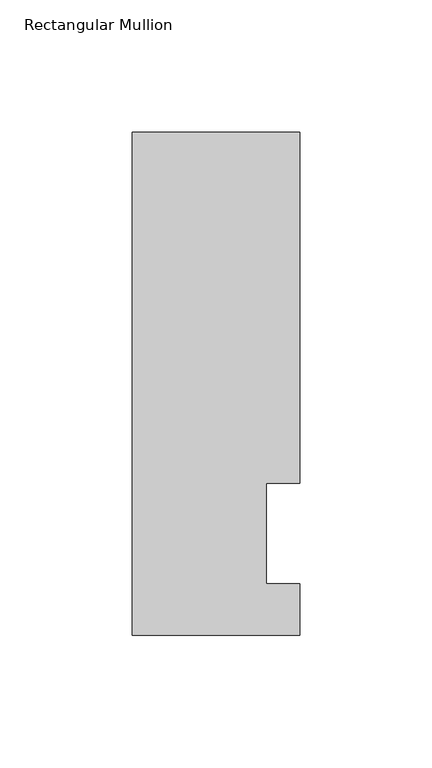
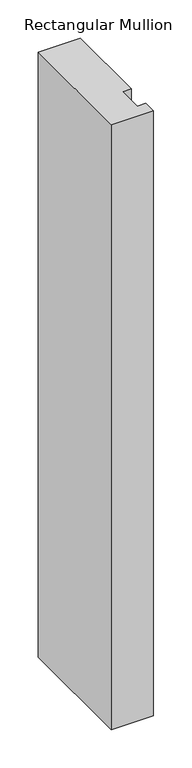
"""IFC4 building model written with IfcOpenShell, lengths in millimetres: member geometry, Rectangular Mullion."""

import ifcopenshell
import ifcopenshell.guid

model = None  # the IFC model being written
_history = None  # IfcOwnerHistory: only IFC2X3 demands one
_inside = {}  # id of a spatial element -> (the spatial element, [elements in it])
_under = {}  # id of a project, library or spatial element -> (it, [spatial elements below it])
_declared = {}  # id of a project -> (the project, [libraries it declares])
_typed = {}  # id of a type object -> (the type object, [elements of that type])
_made_of = {}  # id of a material, layer set ... -> (it, [elements and type objects made of it])


def new_model(schema):
    """Start an empty IFC model of exactly this schema.

    Asked for "IFC4X3", IfcOpenShell would pick the latest addendum, in which some entities
    have other attributes; the version numbers below select the first issue.
    IFC2X3 requires an IfcOwnerHistory on every rooted entity: one is made here for all.
    """
    global model, _history
    if schema == "IFC4X3":
        model = ifcopenshell.file(schema_version=(4, 3, 0, 0))
    else:
        model = ifcopenshell.file(schema=schema)
    _inside.clear()
    _under.clear()
    _declared.clear()
    _typed.clear()
    _made_of.clear()
    _history = None
    if model.schema == "IFC2X3":
        org = make("IfcOrganization", Name="unknown")
        user = make(
            "IfcPersonAndOrganization",
            ThePerson=make("IfcPerson", FamilyName="unknown"),
            TheOrganization=org,
        )
        app = make(
            "IfcApplication",
            ApplicationDeveloper=org,
            Version="unknown",
            ApplicationFullName="unknown",
            ApplicationIdentifier="unknown",
        )
        _history = make(
            "IfcOwnerHistory",
            OwningUser=user,
            OwningApplication=app,
            ChangeAction="ADDED",
            CreationDate=0,
        )
    return model


def make(cls, **values):
    """One entity of the class cls with the attributes given. An attribute that is None is left unset."""
    return model.create_entity(
        cls, **{name: value for name, value in values.items() if value is not None}
    )


def rooted(cls, **values):
    """An entity with a GlobalId (a new one), such as an element, a storey or a relation."""
    return make(cls, GlobalId=ifcopenshell.guid.new(), OwnerHistory=_history, **values)


def si_unit(unit_type, name, prefix=None):
    """IfcSIUnit, for example si_unit("LENGTHUNIT", "METRE", prefix="MILLI")."""
    return make("IfcSIUnit", UnitType=unit_type, Prefix=prefix, Name=name)


def assignment(units):
    """IfcUnitAssignment: the units of a project."""
    return None if units is None else make("IfcUnitAssignment", Units=units)


def point(xyz):
    """IfcCartesianPoint."""
    return None if xyz is None else make("IfcCartesianPoint", Coordinates=xyz)


def direction(xyz):
    """IfcDirection."""
    return None if xyz is None else make("IfcDirection", DirectionRatios=xyz)


def frame(location, z_axis=None, x_axis=None):
    """IfcAxis2Placement3D, a coordinate frame: its origin and axes. An axis left out is left unset."""
    return make(
        "IfcAxis2Placement3D",
        Location=point(location),
        Axis=direction(z_axis),
        RefDirection=direction(x_axis),
    )


def origin():
    """The frame at (0, 0, 0) with its axes left unset."""
    return frame((0.0, 0.0, 0.0))


def place(relative_to, where):
    """IfcLocalPlacement: puts the frame where relative to a parent placement (None: the world)."""
    return make(
        "IfcLocalPlacement", PlacementRelTo=relative_to, RelativePlacement=where
    )


def context(
    kind, dimensions, precision=None, world=None, true_north=None, identifier=None
):
    """IfcGeometricRepresentationContext, for example the 3D "Model" context."""
    return make(
        "IfcGeometricRepresentationContext",
        ContextIdentifier=identifier,
        ContextType=kind,
        CoordinateSpaceDimension=dimensions,
        Precision=precision,
        WorldCoordinateSystem=world,
        TrueNorth=true_north,
    )


def project(units=None, contexts=None):
    """IfcProject with its units and contexts."""
    return rooted(
        "IfcProject",
        Name="project",
        RepresentationContexts=contexts,
        UnitsInContext=assignment(units),
    )


def spatial(cls, under=None, at=None, **own):
    """A site, building, storey or space (cls), placed at a placement, below another one or the project."""
    s = rooted(cls, ObjectPlacement=at, **own)
    if under is not None:
        _under.setdefault(under.id(), (under, []))[1].append(s)
    return s


def polyline(points):
    """IfcPolyline through the points."""
    return make("IfcPolyline", Points=[point(p) for p in points])


def outline(outer, holes=None, kind="AREA"):
    """IfcArbitraryClosedProfileDef: a profile drawn as a closed curve; with holes, ...WithVoids."""
    if holes is None:
        return make("IfcArbitraryClosedProfileDef", ProfileType=kind, OuterCurve=outer)
    return make(
        "IfcArbitraryProfileDefWithVoids",
        ProfileType=kind,
        OuterCurve=outer,
        InnerCurves=holes,
    )


def extrude(swept, where, along, depth):
    """IfcExtrudedAreaSolid: the profile swept, set in the frame where, extruded along a direction by depth."""
    return make(
        "IfcExtrudedAreaSolid",
        SweptArea=swept,
        Position=where,
        ExtrudedDirection=direction(along),
        Depth=depth,
    )


def shape(context_of_items, identifier, shape_type, items):
    """IfcShapeRepresentation: the items that make up one representation, for example the "Body"."""
    return make(
        "IfcShapeRepresentation",
        ContextOfItems=context_of_items,
        RepresentationIdentifier=identifier,
        RepresentationType=shape_type,
        Items=items,
    )


def source(mapping_origin, context_of_items, identifier, shape_type, items):
    """IfcRepresentationMap: a shape defined once, which mapped items show again and again."""
    return make(
        "IfcRepresentationMap",
        MappingOrigin=mapping_origin,
        MappedRepresentation=shape(context_of_items, identifier, shape_type, items),
    )


def transform(
    local_origin,
    x_axis=None,
    y_axis=None,
    z_axis=None,
    scale=None,
    scale2=None,
    scale3=None,
    uniform=True,
):
    """IfcCartesianTransformationOperator3D, or its non-uniform kind. x_axis, y_axis, z_axis: its Axis1, 2, 3."""
    if uniform:
        return make(
            "IfcCartesianTransformationOperator3D",
            Axis1=direction(x_axis),
            Axis2=direction(y_axis),
            LocalOrigin=point(local_origin),
            Scale=scale,
            Axis3=direction(z_axis),
        )
    return make(
        "IfcCartesianTransformationOperator3DnonUniform",
        Axis1=direction(x_axis),
        Axis2=direction(y_axis),
        LocalOrigin=point(local_origin),
        Scale=scale,
        Axis3=direction(z_axis),
        Scale2=scale2,
        Scale3=scale3,
    )


def mapped(mapping_source, mapping_target):
    """IfcMappedItem: shows the shape of a source again, moved by a transform."""
    return make(
        "IfcMappedItem", MappingSource=mapping_source, MappingTarget=mapping_target
    )


def made_of(thing, what):
    """Note that an element or type object is made of a material, layer set ...; save() writes the relation."""
    if what is not None:
        _made_of.setdefault(what.id(), (what, []))[1].append(thing)
    return thing


def element(
    cls,
    number,
    at=None,
    inside=None,
    cuts=None,
    type_object=None,
    material=None,
    context=None,
    identifier="Body",
    shape_type=None,
    held_by="IfcProductDefinitionShape",
    body=None,
    shapes=None,
    **own,
):
    """One element of the class cls, such as IfcWall. Its Tag is "e" and its number.

    at: its placement. inside: the storey or other place that contains it. cuts: it is an
    opening in that element (IfcRelVoidsElement). A single representation is given by context,
    identifier, shape_type and body (its items); several are given by shapes. held_by: the class
    of the entity that holds the representations. save() writes the other relations.
    """
    e = rooted(cls, Tag="e%d" % number, ObjectPlacement=at, **own)
    if body is not None:
        shapes = [shape(context, identifier, shape_type, body)]
    if shapes is not None:
        e.Representation = make(held_by, Representations=shapes)
    if inside is not None:
        _inside.setdefault(inside.id(), (inside, []))[1].append(e)
    if cuts is not None:
        rooted(
            "IfcRelVoidsElement", RelatingBuildingElement=cuts, RelatedOpeningElement=e
        )
    if type_object is not None:
        _typed.setdefault(type_object.id(), (type_object, []))[1].append(e)
    return made_of(e, material)


def aggregate(whole, parts):
    """IfcRelAggregates: a whole, such as a stair, and the parts it consists of."""
    return rooted("IfcRelAggregates", RelatingObject=whole, RelatedObjects=parts)


def save(model, path):
    """Write the relations noted so far, then the file.

    IfcRelAggregates (storeys below a building ...), IfcRelContainedInSpatialStructure (elements
    in a storey), IfcRelDefinesByType, IfcRelAssociatesMaterial and IfcRelDeclares: one each for
    every whole, place, type object, material and project.
    """
    for whole, parts in _under.values():
        aggregate(whole, parts)
    for where, things in _inside.values():
        rooted(
            "IfcRelContainedInSpatialStructure",
            RelatedElements=things,
            RelatingStructure=where,
        )
    for kind, things in _typed.values():
        rooted("IfcRelDefinesByType", RelatedObjects=things, RelatingType=kind)
    for what, things in _made_of.values():
        rooted("IfcRelAssociatesMaterial", RelatedObjects=things, RelatingMaterial=what)
    for by, libraries in _declared.values():
        rooted("IfcRelDeclares", RelatingContext=by, RelatedDefinitions=libraries)
    model.write(path)


def rectangular_mullion_227c7de3(model_context):
    return source(origin(), model_context, "Body", "SweptSolid", [
        extrude(outline(polyline([(0.0, 0.0134938), (-63.5, 0.0134937), (-63.5, 190.5896938), (0.0, 190.5896938), (0.0, 57.6460938), (-12.6873, 57.6460938), (-12.6873, 19.5460938), (0.0, 19.5460938), (0.0, 0.0134938)])), frame((0.0, 0.0, -965.1999994), z_axis=(0.0, 0.0, 1.0), x_axis=(1.0, 0.0, 0.0)), (0.0, 0.0, 1.0), 965.1999994),
    ])


if __name__ == "__main__":
    model = new_model("IFC4")
    model_context = context("Model", 3, world=origin())
    ifc_project = project(units=[si_unit("LENGTHUNIT", "METRE", prefix="MILLI")], contexts=[model_context])
    site = spatial("IfcSite", under=ifc_project)
    building = spatial("IfcBuilding", under=site)
    placement = place(None, origin())
    rectangular_mullion_shape = rectangular_mullion_227c7de3(model_context)
    element("IfcMember", 1, ObjectType="Rectangular Mullion", at=placement, inside=building, context=model_context, shape_type="MappedRepresentation", body=[
        mapped(rectangular_mullion_shape, transform((0.0, 0.0, 0.0), x_axis=(1.0, 0.0, 0.0), y_axis=(0.0, 1.0, 0.0), z_axis=(0.0, 0.0, 1.0))),
    ])
    save(model, "model.ifc")
